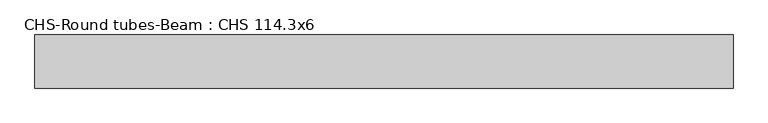
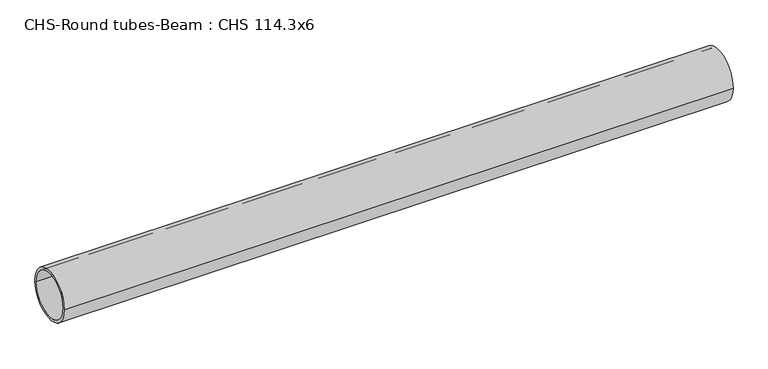
"""IFC4 building model written with IfcOpenShell, lengths in millimetres: beam geometry, CHS-Round tubes-Beam : CHS 114.3x6."""

import ifcopenshell
import ifcopenshell.guid

model = None  # the IFC model being written
_history = None  # IfcOwnerHistory: only IFC2X3 demands one
_inside = {}  # id of a spatial element -> (the spatial element, [elements in it])
_under = {}  # id of a project, library or spatial element -> (it, [spatial elements below it])
_declared = {}  # id of a project -> (the project, [libraries it declares])
_typed = {}  # id of a type object -> (the type object, [elements of that type])
_made_of = {}  # id of a material, layer set ... -> (it, [elements and type objects made of it])


def new_model(schema):
    """Start an empty IFC model of exactly this schema.

    Asked for "IFC4X3", IfcOpenShell would pick the latest addendum, in which some entities
    have other attributes; the version numbers below select the first issue.
    IFC2X3 requires an IfcOwnerHistory on every rooted entity: one is made here for all.
    """
    global model, _history
    if schema == "IFC4X3":
        model = ifcopenshell.file(schema_version=(4, 3, 0, 0))
    else:
        model = ifcopenshell.file(schema=schema)
    _inside.clear()
    _under.clear()
    _declared.clear()
    _typed.clear()
    _made_of.clear()
    _history = None
    if model.schema == "IFC2X3":
        org = make("IfcOrganization", Name="unknown")
        user = make(
            "IfcPersonAndOrganization",
            ThePerson=make("IfcPerson", FamilyName="unknown"),
            TheOrganization=org,
        )
        app = make(
            "IfcApplication",
            ApplicationDeveloper=org,
            Version="unknown",
            ApplicationFullName="unknown",
            ApplicationIdentifier="unknown",
        )
        _history = make(
            "IfcOwnerHistory",
            OwningUser=user,
            OwningApplication=app,
            ChangeAction="ADDED",
            CreationDate=0,
        )
    return model


def make(cls, **values):
    """One entity of the class cls with the attributes given. An attribute that is None is left unset."""
    return model.create_entity(
        cls, **{name: value for name, value in values.items() if value is not None}
    )


def rooted(cls, **values):
    """An entity with a GlobalId (a new one), such as an element, a storey or a relation."""
    return make(cls, GlobalId=ifcopenshell.guid.new(), OwnerHistory=_history, **values)


def si_unit(unit_type, name, prefix=None):
    """IfcSIUnit, for example si_unit("LENGTHUNIT", "METRE", prefix="MILLI")."""
    return make("IfcSIUnit", UnitType=unit_type, Prefix=prefix, Name=name)


def assignment(units):
    """IfcUnitAssignment: the units of a project."""
    return None if units is None else make("IfcUnitAssignment", Units=units)


def point(xyz):
    """IfcCartesianPoint."""
    return None if xyz is None else make("IfcCartesianPoint", Coordinates=xyz)


def direction(xyz):
    """IfcDirection."""
    return None if xyz is None else make("IfcDirection", DirectionRatios=xyz)


def frame(location, z_axis=None, x_axis=None):
    """IfcAxis2Placement3D, a coordinate frame: its origin and axes. An axis left out is left unset."""
    return make(
        "IfcAxis2Placement3D",
        Location=point(location),
        Axis=direction(z_axis),
        RefDirection=direction(x_axis),
    )


def frame_2d(location, x_axis=None):
    """IfcAxis2Placement2D, a coordinate frame in the plane: its origin and x axis."""
    return make(
        "IfcAxis2Placement2D", Location=point(location), RefDirection=direction(x_axis)
    )


def origin():
    """The frame at (0, 0, 0) with its axes left unset."""
    return frame((0.0, 0.0, 0.0))


def origin_2d():
    """The frame at (0, 0) in the plane with its x axis left unset."""
    return frame_2d((0.0, 0.0))


def place(relative_to, where):
    """IfcLocalPlacement: puts the frame where relative to a parent placement (None: the world)."""
    return make(
        "IfcLocalPlacement", PlacementRelTo=relative_to, RelativePlacement=where
    )


def context(
    kind, dimensions, precision=None, world=None, true_north=None, identifier=None
):
    """IfcGeometricRepresentationContext, for example the 3D "Model" context."""
    return make(
        "IfcGeometricRepresentationContext",
        ContextIdentifier=identifier,
        ContextType=kind,
        CoordinateSpaceDimension=dimensions,
        Precision=precision,
        WorldCoordinateSystem=world,
        TrueNorth=true_north,
    )


def project(units=None, contexts=None):
    """IfcProject with its units and contexts."""
    return rooted(
        "IfcProject",
        Name="project",
        RepresentationContexts=contexts,
        UnitsInContext=assignment(units),
    )


def spatial(cls, under=None, at=None, **own):
    """A site, building, storey or space (cls), placed at a placement, below another one or the project."""
    s = rooted(cls, ObjectPlacement=at, **own)
    if under is not None:
        _under.setdefault(under.id(), (under, []))[1].append(s)
    return s


def circle_curve(where, radius):
    """IfcCircle in the frame where."""
    return make("IfcCircle", Position=where, Radius=radius)


def trimmed(basis, trim1, trim2, sense, master):
    """IfcTrimmedCurve: the piece of a basis curve between two trims."""
    return make(
        "IfcTrimmedCurve",
        BasisCurve=basis,
        Trim1=trim1,
        Trim2=trim2,
        SenseAgreement=sense,
        MasterRepresentation=master,
    )


def segment(curve, same_sense, transition):
    """IfcCompositeCurveSegment."""
    return make(
        "IfcCompositeCurveSegment",
        Transition=transition,
        SameSense=same_sense,
        ParentCurve=curve,
    )


def composite_curve(segments, self_intersect=None):
    """IfcCompositeCurve: segments joined end to end."""
    return make("IfcCompositeCurve", Segments=segments, SelfIntersect=self_intersect)


def outline(outer, holes=None, kind="AREA"):
    """IfcArbitraryClosedProfileDef: a profile drawn as a closed curve; with holes, ...WithVoids."""
    if holes is None:
        return make("IfcArbitraryClosedProfileDef", ProfileType=kind, OuterCurve=outer)
    return make(
        "IfcArbitraryProfileDefWithVoids",
        ProfileType=kind,
        OuterCurve=outer,
        InnerCurves=holes,
    )


def extrude(swept, where, along, depth):
    """IfcExtrudedAreaSolid: the profile swept, set in the frame where, extruded along a direction by depth."""
    return make(
        "IfcExtrudedAreaSolid",
        SweptArea=swept,
        Position=where,
        ExtrudedDirection=direction(along),
        Depth=depth,
    )


def shape(context_of_items, identifier, shape_type, items):
    """IfcShapeRepresentation: the items that make up one representation, for example the "Body"."""
    return make(
        "IfcShapeRepresentation",
        ContextOfItems=context_of_items,
        RepresentationIdentifier=identifier,
        RepresentationType=shape_type,
        Items=items,
    )


def source(mapping_origin, context_of_items, identifier, shape_type, items):
    """IfcRepresentationMap: a shape defined once, which mapped items show again and again."""
    return make(
        "IfcRepresentationMap",
        MappingOrigin=mapping_origin,
        MappedRepresentation=shape(context_of_items, identifier, shape_type, items),
    )


def transform(
    local_origin,
    x_axis=None,
    y_axis=None,
    z_axis=None,
    scale=None,
    scale2=None,
    scale3=None,
    uniform=True,
):
    """IfcCartesianTransformationOperator3D, or its non-uniform kind. x_axis, y_axis, z_axis: its Axis1, 2, 3."""
    if uniform:
        return make(
            "IfcCartesianTransformationOperator3D",
            Axis1=direction(x_axis),
            Axis2=direction(y_axis),
            LocalOrigin=point(local_origin),
            Scale=scale,
            Axis3=direction(z_axis),
        )
    return make(
        "IfcCartesianTransformationOperator3DnonUniform",
        Axis1=direction(x_axis),
        Axis2=direction(y_axis),
        LocalOrigin=point(local_origin),
        Scale=scale,
        Axis3=direction(z_axis),
        Scale2=scale2,
        Scale3=scale3,
    )


def mapped(mapping_source, mapping_target):
    """IfcMappedItem: shows the shape of a source again, moved by a transform."""
    return make(
        "IfcMappedItem", MappingSource=mapping_source, MappingTarget=mapping_target
    )


def made_of(thing, what):
    """Note that an element or type object is made of a material, layer set ...; save() writes the relation."""
    if what is not None:
        _made_of.setdefault(what.id(), (what, []))[1].append(thing)
    return thing


def element(
    cls,
    number,
    at=None,
    inside=None,
    cuts=None,
    type_object=None,
    material=None,
    context=None,
    identifier="Body",
    shape_type=None,
    held_by="IfcProductDefinitionShape",
    body=None,
    shapes=None,
    **own,
):
    """One element of the class cls, such as IfcWall. Its Tag is "e" and its number.

    at: its placement. inside: the storey or other place that contains it. cuts: it is an
    opening in that element (IfcRelVoidsElement). A single representation is given by context,
    identifier, shape_type and body (its items); several are given by shapes. held_by: the class
    of the entity that holds the representations. save() writes the other relations.
    """
    e = rooted(cls, Tag="e%d" % number, ObjectPlacement=at, **own)
    if body is not None:
        shapes = [shape(context, identifier, shape_type, body)]
    if shapes is not None:
        e.Representation = make(held_by, Representations=shapes)
    if inside is not None:
        _inside.setdefault(inside.id(), (inside, []))[1].append(e)
    if cuts is not None:
        rooted(
            "IfcRelVoidsElement", RelatingBuildingElement=cuts, RelatedOpeningElement=e
        )
    if type_object is not None:
        _typed.setdefault(type_object.id(), (type_object, []))[1].append(e)
    return made_of(e, material)


def aggregate(whole, parts):
    """IfcRelAggregates: a whole, such as a stair, and the parts it consists of."""
    return rooted("IfcRelAggregates", RelatingObject=whole, RelatedObjects=parts)


def save(model, path):
    """Write the relations noted so far, then the file.

    IfcRelAggregates (storeys below a building ...), IfcRelContainedInSpatialStructure (elements
    in a storey), IfcRelDefinesByType, IfcRelAssociatesMaterial and IfcRelDeclares: one each for
    every whole, place, type object, material and project.
    """
    for whole, parts in _under.values():
        aggregate(whole, parts)
    for where, things in _inside.values():
        rooted(
            "IfcRelContainedInSpatialStructure",
            RelatedElements=things,
            RelatingStructure=where,
        )
    for kind, things in _typed.values():
        rooted("IfcRelDefinesByType", RelatedObjects=things, RelatingType=kind)
    for what, things in _made_of.values():
        rooted("IfcRelAssociatesMaterial", RelatedObjects=things, RelatingMaterial=what)
    for by, libraries in _declared.values():
        rooted("IfcRelDeclares", RelatingContext=by, RelatedDefinitions=libraries)
    model.write(path)


def chs_round_tubes_beam_chs_114_3x6_1365c5fe(model_context):
    return source(origin(), model_context, "Body", "SweptSolid", [
        extrude(outline(composite_curve([segment(trimmed(circle_curve(origin_2d(), 57.15), [point((57.15, 0.0))], [point((-57.15, 0.0))], False, "CARTESIAN"), True, "CONTINUOUS"), segment(trimmed(circle_curve(origin_2d(), 57.15), [point((-57.15, 0.0))], [point((57.15, 0.0))], False, "CARTESIAN"), True, "CONTINUOUS")], self_intersect=False), holes=[composite_curve([segment(trimmed(circle_curve(origin_2d(), 51.15), [point((51.15, 0.0))], [point((-51.15, 0.0))], True, "CARTESIAN"), True, "CONTINUOUS"), segment(trimmed(circle_curve(origin_2d(), 51.15), [point((-51.15, 0.0))], [point((51.15, 0.0))], True, "CARTESIAN"), True, "CONTINUOUS")], self_intersect=False)]), frame((-742.1417289, 0.0, 0.0), z_axis=(1.0, 0.0, 0.0), x_axis=(0.0, 1.0, 0.0)), (0.0, 0.0, 1.0), 1501.2084351),
    ])


if __name__ == "__main__":
    model = new_model("IFC4")
    model_context = context("Model", 3, world=origin())
    ifc_project = project(units=[si_unit("LENGTHUNIT", "METRE", prefix="MILLI")], contexts=[model_context])
    site = spatial("IfcSite", under=ifc_project)
    building = spatial("IfcBuilding", under=site)
    placement = place(None, origin())
    chs_round_tubes_beam_chs_114_3x6_shape = chs_round_tubes_beam_chs_114_3x6_1365c5fe(model_context)
    element("IfcBeam", 1, ObjectType="CHS-Round tubes-Beam : CHS 114.3x6", at=placement, inside=building, context=model_context, shape_type="MappedRepresentation", body=[
        mapped(chs_round_tubes_beam_chs_114_3x6_shape, transform((0.0, 0.0, 0.0), x_axis=(1.0, 0.0, 0.0), y_axis=(0.0, 1.0, 0.0), z_axis=(0.0, 0.0, 1.0))),
    ])
    save(model, "model.ifc")
